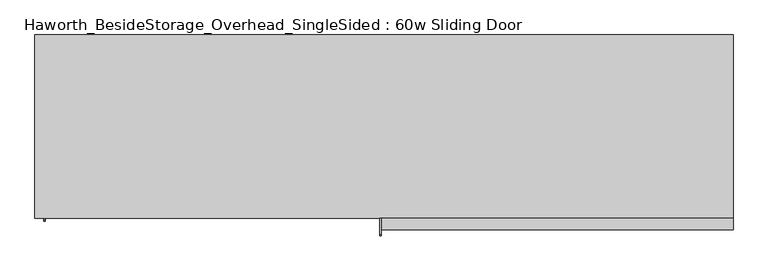
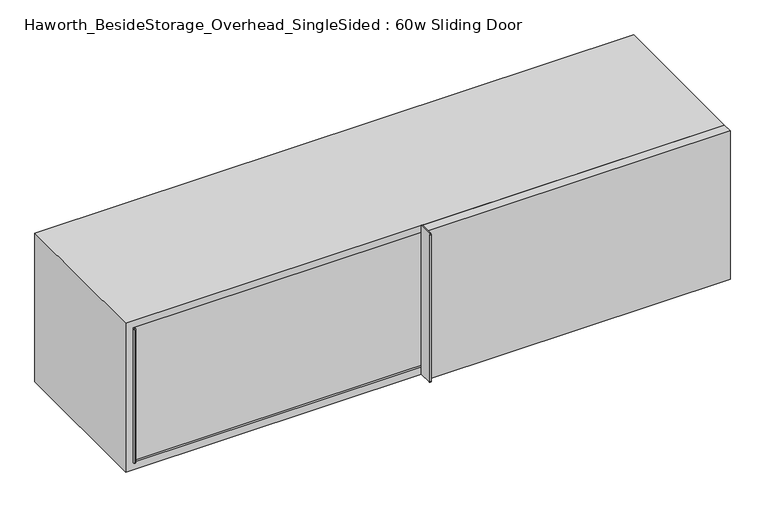
"""IFC4 building model written with IfcOpenShell, lengths in millimetres: furniture geometry, Haworth_BesideStorage_Overhead_SingleSided : 60w Sliding Door."""

import ifcopenshell
import ifcopenshell.guid

model = None  # the IFC model being written
_history = None  # IfcOwnerHistory: only IFC2X3 demands one
_inside = {}  # id of a spatial element -> (the spatial element, [elements in it])
_under = {}  # id of a project, library or spatial element -> (it, [spatial elements below it])
_declared = {}  # id of a project -> (the project, [libraries it declares])
_typed = {}  # id of a type object -> (the type object, [elements of that type])
_made_of = {}  # id of a material, layer set ... -> (it, [elements and type objects made of it])


def new_model(schema):
    """Start an empty IFC model of exactly this schema.

    Asked for "IFC4X3", IfcOpenShell would pick the latest addendum, in which some entities
    have other attributes; the version numbers below select the first issue.
    IFC2X3 requires an IfcOwnerHistory on every rooted entity: one is made here for all.
    """
    global model, _history
    if schema == "IFC4X3":
        model = ifcopenshell.file(schema_version=(4, 3, 0, 0))
    else:
        model = ifcopenshell.file(schema=schema)
    _inside.clear()
    _under.clear()
    _declared.clear()
    _typed.clear()
    _made_of.clear()
    _history = None
    if model.schema == "IFC2X3":
        org = make("IfcOrganization", Name="unknown")
        user = make(
            "IfcPersonAndOrganization",
            ThePerson=make("IfcPerson", FamilyName="unknown"),
            TheOrganization=org,
        )
        app = make(
            "IfcApplication",
            ApplicationDeveloper=org,
            Version="unknown",
            ApplicationFullName="unknown",
            ApplicationIdentifier="unknown",
        )
        _history = make(
            "IfcOwnerHistory",
            OwningUser=user,
            OwningApplication=app,
            ChangeAction="ADDED",
            CreationDate=0,
        )
    return model


def make(cls, **values):
    """One entity of the class cls with the attributes given. An attribute that is None is left unset."""
    return model.create_entity(
        cls, **{name: value for name, value in values.items() if value is not None}
    )


def rooted(cls, **values):
    """An entity with a GlobalId (a new one), such as an element, a storey or a relation."""
    return make(cls, GlobalId=ifcopenshell.guid.new(), OwnerHistory=_history, **values)


def si_unit(unit_type, name, prefix=None):
    """IfcSIUnit, for example si_unit("LENGTHUNIT", "METRE", prefix="MILLI")."""
    return make("IfcSIUnit", UnitType=unit_type, Prefix=prefix, Name=name)


def assignment(units):
    """IfcUnitAssignment: the units of a project."""
    return None if units is None else make("IfcUnitAssignment", Units=units)


def point(xyz):
    """IfcCartesianPoint."""
    return None if xyz is None else make("IfcCartesianPoint", Coordinates=xyz)


def direction(xyz):
    """IfcDirection."""
    return None if xyz is None else make("IfcDirection", DirectionRatios=xyz)


def frame(location, z_axis=None, x_axis=None):
    """IfcAxis2Placement3D, a coordinate frame: its origin and axes. An axis left out is left unset."""
    return make(
        "IfcAxis2Placement3D",
        Location=point(location),
        Axis=direction(z_axis),
        RefDirection=direction(x_axis),
    )


def frame_2d(location, x_axis=None):
    """IfcAxis2Placement2D, a coordinate frame in the plane: its origin and x axis."""
    return make(
        "IfcAxis2Placement2D", Location=point(location), RefDirection=direction(x_axis)
    )


def origin():
    """The frame at (0, 0, 0) with its axes left unset."""
    return frame((0.0, 0.0, 0.0))


def place(relative_to, where):
    """IfcLocalPlacement: puts the frame where relative to a parent placement (None: the world)."""
    return make(
        "IfcLocalPlacement", PlacementRelTo=relative_to, RelativePlacement=where
    )


def context(
    kind, dimensions, precision=None, world=None, true_north=None, identifier=None
):
    """IfcGeometricRepresentationContext, for example the 3D "Model" context."""
    return make(
        "IfcGeometricRepresentationContext",
        ContextIdentifier=identifier,
        ContextType=kind,
        CoordinateSpaceDimension=dimensions,
        Precision=precision,
        WorldCoordinateSystem=world,
        TrueNorth=true_north,
    )


def project(units=None, contexts=None):
    """IfcProject with its units and contexts."""
    return rooted(
        "IfcProject",
        Name="project",
        RepresentationContexts=contexts,
        UnitsInContext=assignment(units),
    )


def spatial(cls, under=None, at=None, **own):
    """A site, building, storey or space (cls), placed at a placement, below another one or the project."""
    s = rooted(cls, ObjectPlacement=at, **own)
    if under is not None:
        _under.setdefault(under.id(), (under, []))[1].append(s)
    return s


def polyline(points):
    """IfcPolyline through the points."""
    return make("IfcPolyline", Points=[point(p) for p in points])


def circle_curve(where, radius):
    """IfcCircle in the frame where."""
    return make("IfcCircle", Position=where, Radius=radius)


def trimmed(basis, trim1, trim2, sense, master):
    """IfcTrimmedCurve: the piece of a basis curve between two trims."""
    return make(
        "IfcTrimmedCurve",
        BasisCurve=basis,
        Trim1=trim1,
        Trim2=trim2,
        SenseAgreement=sense,
        MasterRepresentation=master,
    )


def segment(curve, same_sense, transition):
    """IfcCompositeCurveSegment."""
    return make(
        "IfcCompositeCurveSegment",
        Transition=transition,
        SameSense=same_sense,
        ParentCurve=curve,
    )


def composite_curve(segments, self_intersect=None):
    """IfcCompositeCurve: segments joined end to end."""
    return make("IfcCompositeCurve", Segments=segments, SelfIntersect=self_intersect)


def outline(outer, holes=None, kind="AREA"):
    """IfcArbitraryClosedProfileDef: a profile drawn as a closed curve; with holes, ...WithVoids."""
    if holes is None:
        return make("IfcArbitraryClosedProfileDef", ProfileType=kind, OuterCurve=outer)
    return make(
        "IfcArbitraryProfileDefWithVoids",
        ProfileType=kind,
        OuterCurve=outer,
        InnerCurves=holes,
    )


def extrude(swept, where, along, depth):
    """IfcExtrudedAreaSolid: the profile swept, set in the frame where, extruded along a direction by depth."""
    return make(
        "IfcExtrudedAreaSolid",
        SweptArea=swept,
        Position=where,
        ExtrudedDirection=direction(along),
        Depth=depth,
    )


def shape(context_of_items, identifier, shape_type, items):
    """IfcShapeRepresentation: the items that make up one representation, for example the "Body"."""
    return make(
        "IfcShapeRepresentation",
        ContextOfItems=context_of_items,
        RepresentationIdentifier=identifier,
        RepresentationType=shape_type,
        Items=items,
    )


def source(mapping_origin, context_of_items, identifier, shape_type, items):
    """IfcRepresentationMap: a shape defined once, which mapped items show again and again."""
    return make(
        "IfcRepresentationMap",
        MappingOrigin=mapping_origin,
        MappedRepresentation=shape(context_of_items, identifier, shape_type, items),
    )


def transform(
    local_origin,
    x_axis=None,
    y_axis=None,
    z_axis=None,
    scale=None,
    scale2=None,
    scale3=None,
    uniform=True,
):
    """IfcCartesianTransformationOperator3D, or its non-uniform kind. x_axis, y_axis, z_axis: its Axis1, 2, 3."""
    if uniform:
        return make(
            "IfcCartesianTransformationOperator3D",
            Axis1=direction(x_axis),
            Axis2=direction(y_axis),
            LocalOrigin=point(local_origin),
            Scale=scale,
            Axis3=direction(z_axis),
        )
    return make(
        "IfcCartesianTransformationOperator3DnonUniform",
        Axis1=direction(x_axis),
        Axis2=direction(y_axis),
        LocalOrigin=point(local_origin),
        Scale=scale,
        Axis3=direction(z_axis),
        Scale2=scale2,
        Scale3=scale3,
    )


def mapped(mapping_source, mapping_target):
    """IfcMappedItem: shows the shape of a source again, moved by a transform."""
    return make(
        "IfcMappedItem", MappingSource=mapping_source, MappingTarget=mapping_target
    )


def made_of(thing, what):
    """Note that an element or type object is made of a material, layer set ...; save() writes the relation."""
    if what is not None:
        _made_of.setdefault(what.id(), (what, []))[1].append(thing)
    return thing


def element(
    cls,
    number,
    at=None,
    inside=None,
    cuts=None,
    type_object=None,
    material=None,
    context=None,
    identifier="Body",
    shape_type=None,
    held_by="IfcProductDefinitionShape",
    body=None,
    shapes=None,
    **own,
):
    """One element of the class cls, such as IfcWall. Its Tag is "e" and its number.

    at: its placement. inside: the storey or other place that contains it. cuts: it is an
    opening in that element (IfcRelVoidsElement). A single representation is given by context,
    identifier, shape_type and body (its items); several are given by shapes. held_by: the class
    of the entity that holds the representations. save() writes the other relations.
    """
    e = rooted(cls, Tag="e%d" % number, ObjectPlacement=at, **own)
    if body is not None:
        shapes = [shape(context, identifier, shape_type, body)]
    if shapes is not None:
        e.Representation = make(held_by, Representations=shapes)
    if inside is not None:
        _inside.setdefault(inside.id(), (inside, []))[1].append(e)
    if cuts is not None:
        rooted(
            "IfcRelVoidsElement", RelatingBuildingElement=cuts, RelatedOpeningElement=e
        )
    if type_object is not None:
        _typed.setdefault(type_object.id(), (type_object, []))[1].append(e)
    return made_of(e, material)


def aggregate(whole, parts):
    """IfcRelAggregates: a whole, such as a stair, and the parts it consists of."""
    return rooted("IfcRelAggregates", RelatingObject=whole, RelatedObjects=parts)


def save(model, path):
    """Write the relations noted so far, then the file.

    IfcRelAggregates (storeys below a building ...), IfcRelContainedInSpatialStructure (elements
    in a storey), IfcRelDefinesByType, IfcRelAssociatesMaterial and IfcRelDeclares: one each for
    every whole, place, type object, material and project.
    """
    for whole, parts in _under.values():
        aggregate(whole, parts)
    for where, things in _inside.values():
        rooted(
            "IfcRelContainedInSpatialStructure",
            RelatedElements=things,
            RelatingStructure=where,
        )
    for kind, things in _typed.values():
        rooted("IfcRelDefinesByType", RelatedObjects=things, RelatingType=kind)
    for what, things in _made_of.values():
        rooted("IfcRelAssociatesMaterial", RelatedObjects=things, RelatingMaterial=what)
    for by, libraries in _declared.values():
        rooted("IfcRelDeclares", RelatingContext=by, RelatedDefinitions=libraries)
    model.write(path)


def haworth_besidestorage_overhead_singlesided_60w_sliding_door_1ee0f296(model_context):
    return source(origin(), model_context, "Body", "SweptSolid", [
        extrude(outline(composite_curve([segment(polyline([(-400.05, 1162.05), (-400.05, 762.0), (-434.975, 762.0)]), True, "CONTINUOUS"), segment(trimmed(circle_curve(frame_2d((-434.975, 765.175)), 3.175), [point((-434.975, 762.0))], [point((-438.15, 765.175))], False, "CARTESIAN"), True, "CONTINUOUS"), segment(polyline([(-438.15, 765.175), (-438.15, 1158.875)]), True, "CONTINUOUS"), segment(trimmed(circle_curve(frame_2d((-434.975, 1158.875)), 3.175), [point((-438.15, 1158.875))], [point((-434.975, 1162.05))], False, "CARTESIAN"), True, "CONTINUOUS"), segment(polyline([(-434.975, 1162.05), (-400.05, 1162.05)]), True, "CONTINUOUS")], self_intersect=False)), frame((155.575, 0.0, 0.0), z_axis=(1.0, 0.0, 0.0), x_axis=(0.0, 1.0, 0.0)), (0.0, 0.0, 1.0), 3.175),
        extrude(outline(polyline([(927.1, -400.05), (927.1, -425.45), (158.75, -425.45), (158.75, -400.05), (927.1, -400.05)])), frame((0.0, 0.0, 762.0), z_axis=(0.0, 0.0, 1.0), x_axis=(1.0, 0.0, 0.0)), (0.0, 0.0, 1.0), 400.05),
        extrude(outline(composite_curve([segment(polyline([(-368.3, 1143.0), (-368.3, 781.05), (-403.225, 781.05)]), True, "CONTINUOUS"), segment(trimmed(circle_curve(frame_2d((-403.225, 784.225)), 3.175), [point((-403.225, 781.05))], [point((-406.4, 784.225))], False, "CARTESIAN"), True, "CONTINUOUS"), segment(polyline([(-406.4, 784.225), (-406.4, 1139.825)]), True, "CONTINUOUS"), segment(trimmed(circle_curve(frame_2d((-403.225, 1139.825)), 3.175), [point((-406.4, 1139.825))], [point((-403.225, 1143.0))], False, "CARTESIAN"), True, "CONTINUOUS"), segment(polyline([(-403.225, 1143.0), (-368.3, 1143.0)]), True, "CONTINUOUS")], self_intersect=False)), frame((-577.85, 0.0, 0.0), z_axis=(1.0, 0.0, 0.0), x_axis=(0.0, 1.0, 0.0)), (0.0, 0.0, 1.0), 3.175),
        extrude(outline(polyline([(174.625, -368.3), (174.625, -393.7), (-574.675, -393.7), (-574.675, -368.3), (174.625, -368.3)])), frame((0.0, 0.0, 781.05), z_axis=(0.0, 0.0, 1.0), x_axis=(1.0, 0.0, 0.0)), (0.0, 0.0, 1.0), 361.95),
        extrude(outline(polyline([(174.625, -368.3), (155.575, -368.3), (155.575, -19.05), (174.625, -19.05), (174.625, -368.3)])), frame((0.0, 0.0, 781.05), z_axis=(0.0, 0.0, 1.0), x_axis=(1.0, 0.0, 0.0)), (0.0, 0.0, 1.0), 361.95),
        extrude(outline(polyline([(908.05, -19.05), (-577.85, -19.05), (-577.85, 0.0), (908.05, 0.0), (908.05, -19.05)])), frame((0.0, 0.0, 781.05), z_axis=(0.0, 0.0, 1.0), x_axis=(1.0, 0.0, 0.0)), (0.0, 0.0, 1.0), 361.95),
        extrude(outline(polyline([(762.0, 927.1), (1162.05, 927.1), (1162.05, -596.9), (762.0, -596.9), (762.0, 927.1)]), holes=[polyline([(1143.0, 908.05), (781.05, 908.05), (781.05, -577.85), (1143.0, -577.85), (1143.0, 908.05)])]), frame((0.0, -400.05, 0.0), z_axis=(0.0, 1.0, 0.0), x_axis=(0.0, 0.0, 1.0)), (0.0, 0.0, 1.0), 400.05),
    ])


if __name__ == "__main__":
    model = new_model("IFC4")
    model_context = context("Model", 3, world=origin())
    ifc_project = project(units=[si_unit("LENGTHUNIT", "METRE", prefix="MILLI")], contexts=[model_context])
    site = spatial("IfcSite", under=ifc_project)
    building = spatial("IfcBuilding", under=site)
    placement = place(None, origin())
    haworth_besidestorage_overhead_singlesided_60w_sliding_door_shape = haworth_besidestorage_overhead_singlesided_60w_sliding_door_1ee0f296(model_context)
    element("IfcFurniture", 1, ObjectType="Haworth_BesideStorage_Overhead_SingleSided : 60w Sliding Door", at=placement, inside=building, context=model_context, shape_type="MappedRepresentation", body=[
        mapped(haworth_besidestorage_overhead_singlesided_60w_sliding_door_shape, transform((0.0, 0.0, 0.0), x_axis=(1.0, 0.0, 0.0), y_axis=(0.0, 1.0, 0.0), z_axis=(0.0, 0.0, 1.0))),
    ])
    save(model, "model.ifc")
